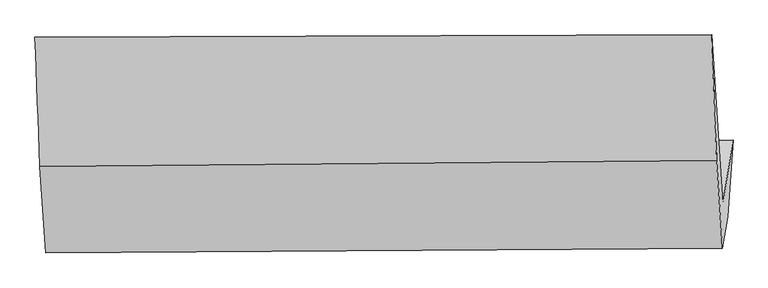
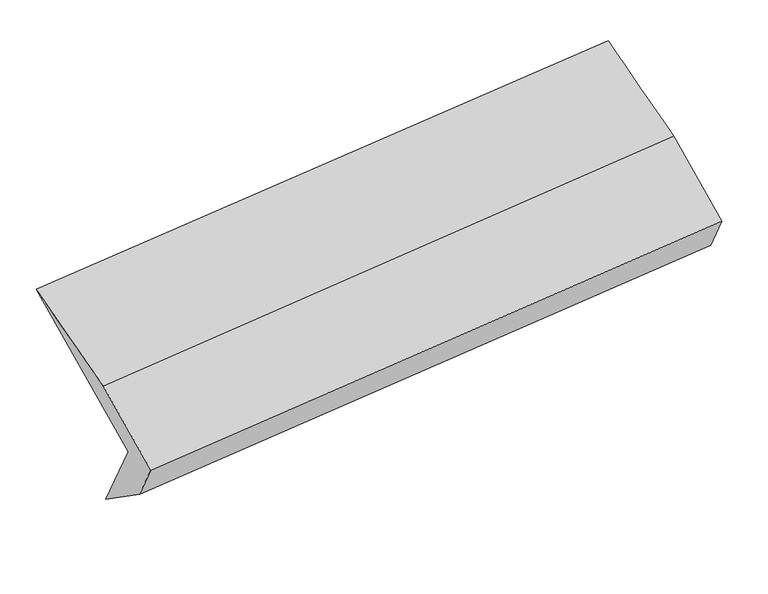
"""IFC4 building model written with IfcOpenShell, lengths in millimetres: proxy geometry."""

from ifc_helpers import new_model, si_unit, frame, origin, place, context, project, spatial, source, transform, mapped, element, save
from ifc_brep_helpers import plane_surface, spline_surface, advanced_brep


def generic_models_c5f587d7(model_context):
    return source(origin(), model_context, "Body", "AdvancedBrep", [
        advanced_brep(
        [(-5029.213175, -1329.2528608, 995.6592014), (-5096.675361, -1748.193715, 1666.2885085), (-618.9551879, -1732.1511411, 2138.5817869), (-551.4930019, -1313.210287, 1467.9524799), (-5065.659904, -1850.2523744, 1366.2123312), (-587.651405, -1820.4377941, 1835.3042492), (-5099.665616, -2061.4281884, 1704.2569225), (-621.657117, -2031.6136081, 2173.3488405), (-5137.6862046, -1486.5975914, 2059.5278102), (-660.2394541, -1448.2899752, 2533.8688023), (-5170.5274543, -631.6291244, 2356.3751103), (-692.8072812, -615.5865505, 2828.6683887)],
        [
            (0, 1),
            (1, 2),
            (2, 3),
            (3, 0),
            (4, 0),
            (3, 5),
            (5, 4),
            (6, 4),
            (5, 7),
            (7, 6),
            (8, 6),
            (7, 9),
            (9, 8),
            (10, 8),
            (9, 11),
            (11, 10),
            (1, 10),
            (11, 2),
        ],
        [
            plane_surface(frame((-5062.944268, -1538.7232879, 1330.973855), z_axis=(-0.05838410300606042, 0.8492951710294079, 0.5246799109764989), x_axis=(-0.08500743760986446, -0.5278970433357126, 0.8450434587572511))),
            spline_surface(1, 1, [[(-5065.659904, -1850.2523744, 1366.2123312), (-587.651405, -1820.4377941, 1835.3042492)], [(-5029.213175, -1329.2528608, 995.6592014), (-551.4930019, -1313.210287, 1467.9524799)]], [2, 2], [2, 2], [0.0, 1.0], [0.0, 1.0]),
            plane_surface(frame((-5082.66276, -1955.8402814, 1535.2346268), z_axis=(0.06059304632934891, -0.8492825594357745, -0.5244498231239568), x_axis=(0.08500743760986416, 0.5278970433357116, -0.8450434587572516))),
            plane_surface(frame((-5118.6759103, -1774.0128899, 1881.8923663), z_axis=(-0.08500743760986443, -0.5278970433357298, 0.8450434587572405), x_axis=(0.05617484990541413, -0.8493035935114805, -0.5249074130611895))),
            spline_surface(1, 1, [[(-5170.5274543, -631.6291244, 2356.3751103), (-692.8072812, -615.5865505, 2828.6683887)], [(-5137.6862046, -1486.5975914, 2059.5278102), (-660.2394541, -1448.2899752, 2533.8688023)]], [2, 2], [2, 2], [0.0, 1.0], [0.0, 1.0]),
            plane_surface(frame((-5133.6014077, -1189.9114197, 2011.3318094), z_axis=(0.0872166196003124, 0.5279020692089984, -0.8448151671166614), x_axis=(-0.056174849905414985, 0.8493035935114909, 0.5249074130611725))),
            plane_surface(frame((-622.1339079, -1493.548226, 2162.9540913), z_axis=(0.9947955175759036, 0.0028491552924863675, 0.10185165941215613), x_axis=(0.05617484990541413, -0.8493035935114805, -0.5249074130611895))),
            plane_surface(frame((-5099.9046192, -1517.8923091, 1691.3866474), z_axis=(-0.9947955175759038, -0.002849155292483481, -0.10185165941215396), x_axis=(0.08500743760986382, 0.5278970433357122, -0.8450434587572514))),
        ],
        [
            (0, [[1, 2, 3, 4]]),
            (1, [[5, -4, 6, 7]]),
            (2, [[8, -7, 9, 10]]),
            (3, [[11, -10, 12, 13]]),
            (4, [[14, -13, 15, 16]]),
            (5, [[17, -16, 18, -2]]),
            (6, [[-12, -9, -6, -3, -18, -15]]),
            (7, [[-1, -5, -8, -11, -14, -17]]),
        ],
    ),
    ])


if __name__ == "__main__":
    model = new_model("IFC4")
    model_context = context("Model", 3, world=origin())
    ifc_project = project(units=[si_unit("LENGTHUNIT", "METRE", prefix="MILLI")], contexts=[model_context])
    site = spatial("IfcSite", under=ifc_project)
    building = spatial("IfcBuilding", under=site)
    placement = place(None, origin())
    generic_models_shape = generic_models_c5f587d7(model_context)
    element("IfcBuildingElementProxy", 1, Name="Generic Models", at=placement, inside=building, context=model_context, shape_type="MappedRepresentation", body=[
        mapped(generic_models_shape, transform((0.0, 0.0, 0.0), x_axis=(1.0, 0.0, 0.0), y_axis=(0.0, 1.0, 0.0), z_axis=(0.0, 0.0, 1.0))),
    ])
    save(model, "model.ifc")
